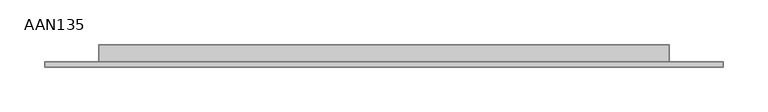
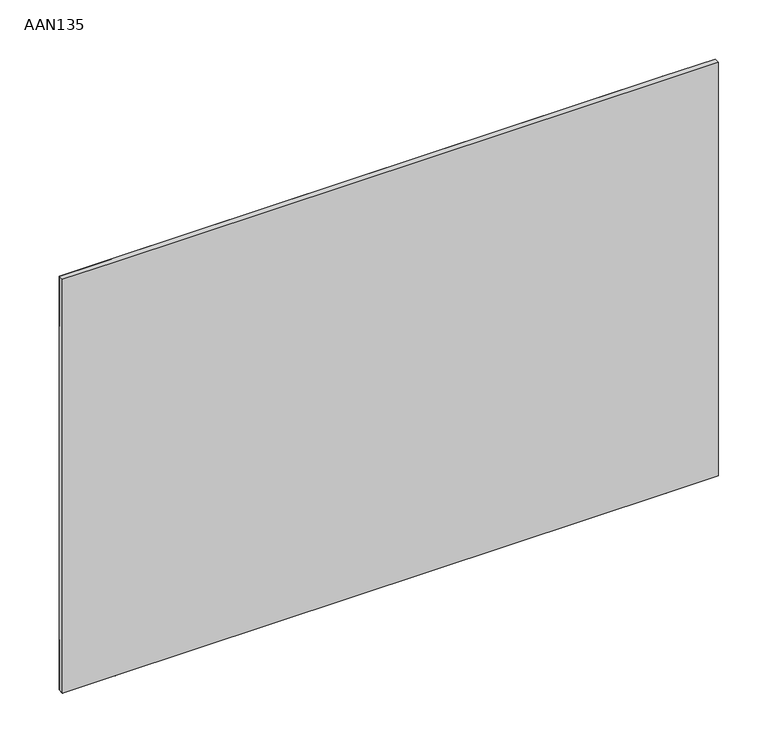
"""IFC4 building model written with IfcOpenShell, lengths in millimetres: furniture geometry, AAN135."""

from ifc_helpers import new_model, si_unit, origin, place, context, project, spatial, triangles, source, transform, mapped, element, save


def aan135_31f7ccc4(model_context):
    return source(origin(), model_context, "Body", "Tessellation", [
        triangles([(-320.0399491, -12.7000004, 1336.0523151), (-320.0399128, -12.7000004, 1397.6005932), (-380.9999637, -12.7000276, 1336.0523151), (-380.9999273, -12.7000276, 1397.6005932), (320.0399491, -12.6997154, 951.1489197), (-320.0400945, -12.7000004, 951.1491377), (320.0400945, -12.6997154, 1336.0520245), (381.0, -12.6996893, 1336.0520245), (380.999891, -12.6996893, 951.148847), (-381.0000727, -12.7000276, 951.1491377), (320.0400945, -12.6997154, 1397.6005932), (320.0399491, -12.6997154, 889.6004963), (-320.0400945, -12.7000004, 889.6006416), (381.0, -12.6996893, 1397.6004478), (380.999891, -12.6996893, 889.6004236), (-381.000109, -12.7000276, 889.6007143)], [[1, 2, 3], [2, 4, 3], [5, 1, 6], [1, 5, 7], [7, 5, 8], [9, 8, 5], [1, 10, 6], [10, 1, 3], [7, 2, 1], [2, 7, 11], [12, 6, 13], [6, 12, 5], [8, 14, 7], [14, 11, 7], [9, 12, 15], [12, 9, 5], [6, 16, 13], [16, 6, 10]], closed=False),
        triangles([(320.0400945, 12.7002854, 1336.0520245), (-320.0399491, -6.3500002, 1336.0523151), (320.0400945, -6.3497158, 1336.0520245), (-320.0399491, 12.7000004, 1336.0523151), (-320.0400945, 12.7000004, 951.1491377), (320.0399491, 12.7002854, 951.148847), (320.0399491, -6.3497158, 951.148847), (-320.0400945, -6.3500002, 951.1491377)], [[1, 2, 3], [2, 1, 4], [1, 5, 4], [5, 1, 6], [3, 7, 6], [3, 6, 1], [5, 6, 7], [7, 8, 5], [4, 5, 8], [4, 8, 2]], closed=False),
        triangles([(-320.0399491, -6.3500002, 1336.0523151), (-380.9999273, -6.3500286, 1397.6005932), (-320.0399128, -6.3500002, 1397.6005932), (-380.9999637, -6.3500286, 1336.0523151), (-320.0400945, -6.3500002, 951.1491377), (-320.0400945, -6.3500002, 889.6006416), (-381.0000727, -6.3500286, 951.1491377), (-381.000109, -6.3500286, 889.6007143), (-381.0000727, -12.7000276, 951.1491377), (-380.9999637, -12.7000276, 1336.0523151), (381.0, -12.6996893, 1336.0520245), (380.999891, -6.3496885, 951.148847), (381.0, -6.3496885, 1336.0520245), (380.999891, -12.6996893, 951.148847), (320.0400945, -6.3497158, 1397.6005932), (320.0400945, -12.6997154, 1397.6005932), (-320.0399128, -12.7000004, 1397.6005932), (320.0399491, -12.6997154, 889.6004963), (-320.0400945, -12.7000004, 889.6006416), (320.0399491, -6.3497158, 889.6004963), (320.0399491, -6.3497158, 951.148847), (320.0400945, -6.3497158, 1336.0520245), (381.0, -6.3496885, 1397.6004478), (381.0, -12.6996893, 1397.6004478), (-380.9999273, -12.7000276, 1397.6005932), (380.999891, -12.6996893, 889.6004236), (380.999891, -6.3496885, 889.6004236), (-381.000109, -12.7000276, 889.6007143)], [[1, 2, 3], [2, 1, 4], [5, 6, 7], [6, 8, 7], [4, 9, 10], [9, 4, 7], [11, 12, 13], [12, 11, 14], [15, 3, 16], [16, 3, 17], [18, 19, 20], [20, 19, 6], [21, 22, 12], [13, 12, 22], [5, 4, 1], [4, 5, 7], [23, 15, 24], [24, 15, 16], [3, 2, 17], [17, 2, 25], [26, 18, 27], [27, 18, 20], [19, 28, 6], [6, 28, 8], [2, 10, 25], [10, 2, 4], [28, 7, 8], [7, 28, 9], [24, 13, 23], [13, 24, 11], [27, 14, 26], [14, 27, 12], [21, 6, 5], [6, 21, 20], [15, 1, 3], [1, 15, 22], [12, 27, 21], [27, 20, 21], [13, 15, 23], [15, 13, 22]], closed=False),
    ])


if __name__ == "__main__":
    model = new_model("IFC4")
    model_context = context("Model", 3, world=origin())
    ifc_project = project(units=[si_unit("LENGTHUNIT", "METRE", prefix="MILLI")], contexts=[model_context])
    site = spatial("IfcSite", under=ifc_project)
    building = spatial("IfcBuilding", under=site)
    placement = place(None, origin())
    aan135_shape = aan135_31f7ccc4(model_context)
    element("IfcFurniture", 1, ObjectType="AAN135", at=placement, inside=building, context=model_context, shape_type="MappedRepresentation", body=[
        mapped(aan135_shape, transform((0.0, 0.0, 0.0), x_axis=(1.0, 0.0, 0.0), y_axis=(0.0, 1.0, 0.0), z_axis=(0.0, 0.0, 1.0))),
    ])
    save(model, "model.ifc")
